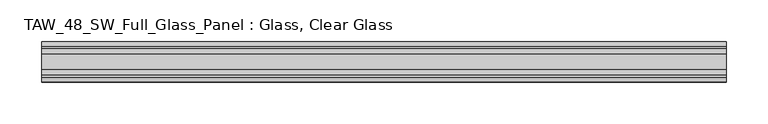
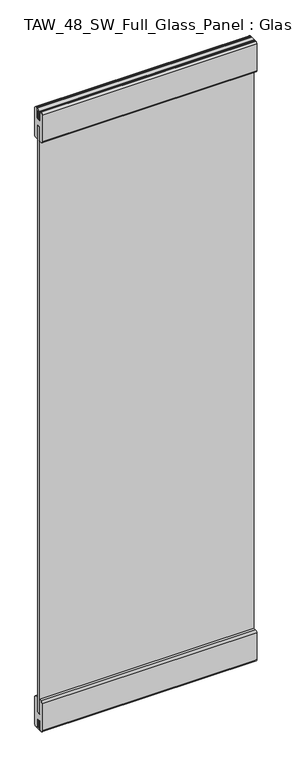
"""IFC4 building model written with IfcOpenShell, lengths in millimetres: plate geometry, TAW_48_SW_Full_Glass_Panel : Glass, Clear Glass."""

import ifcopenshell
import ifcopenshell.guid

model = None  # the IFC model being written
_history = None  # IfcOwnerHistory: only IFC2X3 demands one
_inside = {}  # id of a spatial element -> (the spatial element, [elements in it])
_under = {}  # id of a project, library or spatial element -> (it, [spatial elements below it])
_declared = {}  # id of a project -> (the project, [libraries it declares])
_typed = {}  # id of a type object -> (the type object, [elements of that type])
_made_of = {}  # id of a material, layer set ... -> (it, [elements and type objects made of it])


def new_model(schema):
    """Start an empty IFC model of exactly this schema.

    Asked for "IFC4X3", IfcOpenShell would pick the latest addendum, in which some entities
    have other attributes; the version numbers below select the first issue.
    IFC2X3 requires an IfcOwnerHistory on every rooted entity: one is made here for all.
    """
    global model, _history
    if schema == "IFC4X3":
        model = ifcopenshell.file(schema_version=(4, 3, 0, 0))
    else:
        model = ifcopenshell.file(schema=schema)
    _inside.clear()
    _under.clear()
    _declared.clear()
    _typed.clear()
    _made_of.clear()
    _history = None
    if model.schema == "IFC2X3":
        org = make("IfcOrganization", Name="unknown")
        user = make(
            "IfcPersonAndOrganization",
            ThePerson=make("IfcPerson", FamilyName="unknown"),
            TheOrganization=org,
        )
        app = make(
            "IfcApplication",
            ApplicationDeveloper=org,
            Version="unknown",
            ApplicationFullName="unknown",
            ApplicationIdentifier="unknown",
        )
        _history = make(
            "IfcOwnerHistory",
            OwningUser=user,
            OwningApplication=app,
            ChangeAction="ADDED",
            CreationDate=0,
        )
    return model


def make(cls, **values):
    """One entity of the class cls with the attributes given. An attribute that is None is left unset."""
    return model.create_entity(
        cls, **{name: value for name, value in values.items() if value is not None}
    )


def rooted(cls, **values):
    """An entity with a GlobalId (a new one), such as an element, a storey or a relation."""
    return make(cls, GlobalId=ifcopenshell.guid.new(), OwnerHistory=_history, **values)


def si_unit(unit_type, name, prefix=None):
    """IfcSIUnit, for example si_unit("LENGTHUNIT", "METRE", prefix="MILLI")."""
    return make("IfcSIUnit", UnitType=unit_type, Prefix=prefix, Name=name)


def assignment(units):
    """IfcUnitAssignment: the units of a project."""
    return None if units is None else make("IfcUnitAssignment", Units=units)


def point(xyz):
    """IfcCartesianPoint."""
    return None if xyz is None else make("IfcCartesianPoint", Coordinates=xyz)


def direction(xyz):
    """IfcDirection."""
    return None if xyz is None else make("IfcDirection", DirectionRatios=xyz)


def frame(location, z_axis=None, x_axis=None):
    """IfcAxis2Placement3D, a coordinate frame: its origin and axes. An axis left out is left unset."""
    return make(
        "IfcAxis2Placement3D",
        Location=point(location),
        Axis=direction(z_axis),
        RefDirection=direction(x_axis),
    )


def frame_2d(location, x_axis=None):
    """IfcAxis2Placement2D, a coordinate frame in the plane: its origin and x axis."""
    return make(
        "IfcAxis2Placement2D", Location=point(location), RefDirection=direction(x_axis)
    )


def origin():
    """The frame at (0, 0, 0) with its axes left unset."""
    return frame((0.0, 0.0, 0.0))


def place(relative_to, where):
    """IfcLocalPlacement: puts the frame where relative to a parent placement (None: the world)."""
    return make(
        "IfcLocalPlacement", PlacementRelTo=relative_to, RelativePlacement=where
    )


def context(
    kind, dimensions, precision=None, world=None, true_north=None, identifier=None
):
    """IfcGeometricRepresentationContext, for example the 3D "Model" context."""
    return make(
        "IfcGeometricRepresentationContext",
        ContextIdentifier=identifier,
        ContextType=kind,
        CoordinateSpaceDimension=dimensions,
        Precision=precision,
        WorldCoordinateSystem=world,
        TrueNorth=true_north,
    )


def project(units=None, contexts=None):
    """IfcProject with its units and contexts."""
    return rooted(
        "IfcProject",
        Name="project",
        RepresentationContexts=contexts,
        UnitsInContext=assignment(units),
    )


def spatial(cls, under=None, at=None, **own):
    """A site, building, storey or space (cls), placed at a placement, below another one or the project."""
    s = rooted(cls, ObjectPlacement=at, **own)
    if under is not None:
        _under.setdefault(under.id(), (under, []))[1].append(s)
    return s


def polyline(points):
    """IfcPolyline through the points."""
    return make("IfcPolyline", Points=[point(p) for p in points])


def circle_curve(where, radius):
    """IfcCircle in the frame where."""
    return make("IfcCircle", Position=where, Radius=radius)


def trimmed(basis, trim1, trim2, sense, master):
    """IfcTrimmedCurve: the piece of a basis curve between two trims."""
    return make(
        "IfcTrimmedCurve",
        BasisCurve=basis,
        Trim1=trim1,
        Trim2=trim2,
        SenseAgreement=sense,
        MasterRepresentation=master,
    )


def segment(curve, same_sense, transition):
    """IfcCompositeCurveSegment."""
    return make(
        "IfcCompositeCurveSegment",
        Transition=transition,
        SameSense=same_sense,
        ParentCurve=curve,
    )


def composite_curve(segments, self_intersect=None):
    """IfcCompositeCurve: segments joined end to end."""
    return make("IfcCompositeCurve", Segments=segments, SelfIntersect=self_intersect)


def outline(outer, holes=None, kind="AREA"):
    """IfcArbitraryClosedProfileDef: a profile drawn as a closed curve; with holes, ...WithVoids."""
    if holes is None:
        return make("IfcArbitraryClosedProfileDef", ProfileType=kind, OuterCurve=outer)
    return make(
        "IfcArbitraryProfileDefWithVoids",
        ProfileType=kind,
        OuterCurve=outer,
        InnerCurves=holes,
    )


def extrude(swept, where, along, depth):
    """IfcExtrudedAreaSolid: the profile swept, set in the frame where, extruded along a direction by depth."""
    return make(
        "IfcExtrudedAreaSolid",
        SweptArea=swept,
        Position=where,
        ExtrudedDirection=direction(along),
        Depth=depth,
    )


def shape(context_of_items, identifier, shape_type, items):
    """IfcShapeRepresentation: the items that make up one representation, for example the "Body"."""
    return make(
        "IfcShapeRepresentation",
        ContextOfItems=context_of_items,
        RepresentationIdentifier=identifier,
        RepresentationType=shape_type,
        Items=items,
    )


def source(mapping_origin, context_of_items, identifier, shape_type, items):
    """IfcRepresentationMap: a shape defined once, which mapped items show again and again."""
    return make(
        "IfcRepresentationMap",
        MappingOrigin=mapping_origin,
        MappedRepresentation=shape(context_of_items, identifier, shape_type, items),
    )


def transform(
    local_origin,
    x_axis=None,
    y_axis=None,
    z_axis=None,
    scale=None,
    scale2=None,
    scale3=None,
    uniform=True,
):
    """IfcCartesianTransformationOperator3D, or its non-uniform kind. x_axis, y_axis, z_axis: its Axis1, 2, 3."""
    if uniform:
        return make(
            "IfcCartesianTransformationOperator3D",
            Axis1=direction(x_axis),
            Axis2=direction(y_axis),
            LocalOrigin=point(local_origin),
            Scale=scale,
            Axis3=direction(z_axis),
        )
    return make(
        "IfcCartesianTransformationOperator3DnonUniform",
        Axis1=direction(x_axis),
        Axis2=direction(y_axis),
        LocalOrigin=point(local_origin),
        Scale=scale,
        Axis3=direction(z_axis),
        Scale2=scale2,
        Scale3=scale3,
    )


def mapped(mapping_source, mapping_target):
    """IfcMappedItem: shows the shape of a source again, moved by a transform."""
    return make(
        "IfcMappedItem", MappingSource=mapping_source, MappingTarget=mapping_target
    )


def made_of(thing, what):
    """Note that an element or type object is made of a material, layer set ...; save() writes the relation."""
    if what is not None:
        _made_of.setdefault(what.id(), (what, []))[1].append(thing)
    return thing


def element(
    cls,
    number,
    at=None,
    inside=None,
    cuts=None,
    type_object=None,
    material=None,
    context=None,
    identifier="Body",
    shape_type=None,
    held_by="IfcProductDefinitionShape",
    body=None,
    shapes=None,
    **own,
):
    """One element of the class cls, such as IfcWall. Its Tag is "e" and its number.

    at: its placement. inside: the storey or other place that contains it. cuts: it is an
    opening in that element (IfcRelVoidsElement). A single representation is given by context,
    identifier, shape_type and body (its items); several are given by shapes. held_by: the class
    of the entity that holds the representations. save() writes the other relations.
    """
    e = rooted(cls, Tag="e%d" % number, ObjectPlacement=at, **own)
    if body is not None:
        shapes = [shape(context, identifier, shape_type, body)]
    if shapes is not None:
        e.Representation = make(held_by, Representations=shapes)
    if inside is not None:
        _inside.setdefault(inside.id(), (inside, []))[1].append(e)
    if cuts is not None:
        rooted(
            "IfcRelVoidsElement", RelatingBuildingElement=cuts, RelatedOpeningElement=e
        )
    if type_object is not None:
        _typed.setdefault(type_object.id(), (type_object, []))[1].append(e)
    return made_of(e, material)


def aggregate(whole, parts):
    """IfcRelAggregates: a whole, such as a stair, and the parts it consists of."""
    return rooted("IfcRelAggregates", RelatingObject=whole, RelatedObjects=parts)


def save(model, path):
    """Write the relations noted so far, then the file.

    IfcRelAggregates (storeys below a building ...), IfcRelContainedInSpatialStructure (elements
    in a storey), IfcRelDefinesByType, IfcRelAssociatesMaterial and IfcRelDeclares: one each for
    every whole, place, type object, material and project.
    """
    for whole, parts in _under.values():
        aggregate(whole, parts)
    for where, things in _inside.values():
        rooted(
            "IfcRelContainedInSpatialStructure",
            RelatedElements=things,
            RelatingStructure=where,
        )
    for kind, things in _typed.values():
        rooted("IfcRelDefinesByType", RelatedObjects=things, RelatingType=kind)
    for what, things in _made_of.values():
        rooted("IfcRelAssociatesMaterial", RelatedObjects=things, RelatingMaterial=what)
    for by, libraries in _declared.values():
        rooted("IfcRelDeclares", RelatingContext=by, RelatedDefinitions=libraries)
    model.write(path)


def taw_48_sw_full_glass_panel_glass_clear_glass_6d55d110(model_context):
    return source(origin(), model_context, "Body", "SweptSolid", [
        extrude(outline(polyline([(410.0, 5.0), (410.0, -5.0), (-410.0, -5.0), (-410.0, 5.0), (410.0, 5.0)])), frame((0.0, 0.0, 65.5028724), z_axis=(0.0, 0.0, 1.0), x_axis=(1.0, 0.0, 0.0)), (0.0, 0.0, 1.0), 2369.1638255),
        extrude(outline(composite_curve([segment(polyline([(6.0, 123.0), (16.7, 123.0)]), True, "CONTINUOUS"), segment(trimmed(circle_curve(frame_2d((16.7, 115.7)), 7.3), [point((16.7, 123.0))], [point((24.0, 115.7))], False, "CARTESIAN"), True, "CONTINUOUS"), segment(polyline([(24.0, 115.7), (24.0, 7.2006944)]), True, "CONTINUOUS"), segment(trimmed(circle_curve(frame_2d((16.7, 7.2006944)), 7.3), [point((24.0, 7.2006944))], [point((17.9, 0.0))], False, "CARTESIAN"), True, "CONTINUOUS"), segment(polyline([(17.9, 0.0), (15.5529859, 0.0), (15.5529859, 2.1027745), (10.0, 2.1027745), (10.0, 38.0), (-10.0, 38.0), (-10.0, 2.1027745), (-15.0493747, 2.1027745), (-15.0493747, 0.0), (-18.4598098, 0.0)]), True, "CONTINUOUS"), segment(trimmed(circle_curve(frame_2d((-16.55, 7.2010504)), 7.45), [point((-18.4598098, 0.0))], [point((-24.0, 7.2010504))], False, "CARTESIAN"), True, "CONTINUOUS"), segment(polyline([(-24.0, 7.2010504), (-24.0, 115.55)]), True, "CONTINUOUS"), segment(trimmed(circle_curve(frame_2d((-16.55, 115.55)), 7.45), [point((-24.0, 115.55))], [point((-16.55, 123.0))], False, "CARTESIAN"), True, "CONTINUOUS"), segment(polyline([(-16.55, 123.0), (-6.0, 123.0), (-6.0, 121.4010504), (-9.5, 121.4010504), (-9.5, 65.5028724), (9.5, 65.5028724), (9.5, 121.2506944), (6.0, 121.2506944), (6.0, 123.0)]), True, "CONTINUOUS")], self_intersect=False)), frame((-410.0, 0.0, 0.0), z_axis=(1.0, 0.0, 0.0), x_axis=(0.0, 1.0, 0.0)), (0.0, 0.0, 1.0), 820.0),
        extrude(outline(polyline([(9.0, 2500.0), (9.0, 2461.2139286), (5.0, 2461.2139286), (5.0, 2496.0), (-5.0, 2496.0), (-5.0, 2461.2139286), (-9.0, 2461.2139286), (-9.0, 2500.0), (9.0, 2500.0)])), frame((-410.0, 0.0, 0.0), z_axis=(1.0, 0.0, 0.0), x_axis=(0.0, 1.0, 0.0)), (0.0, 0.0, 1.0), 820.0),
        extrude(outline(polyline([(-9.0, 0.0), (-9.0, 38.0), (-5.0, 38.0), (-5.0, 4.0), (5.0, 4.0), (5.0, 38.0), (9.0, 38.0), (9.0, 0.0), (-9.0, 0.0)])), frame((-410.0, 0.0, 0.0), z_axis=(1.0, 0.0, 0.0), x_axis=(0.0, 1.0, 0.0)), (0.0, 0.0, 1.0), 820.0),
        extrude(outline(composite_curve([segment(polyline([(-6.0, 2377.0), (-16.7, 2377.0)]), True, "CONTINUOUS"), segment(trimmed(circle_curve(frame_2d((-16.7, 2384.3)), 7.3), [point((-16.7, 2377.0))], [point((-24.0, 2384.3))], False, "CARTESIAN"), True, "CONTINUOUS"), segment(polyline([(-24.0, 2384.3), (-24.0, 2492.9688758)]), True, "CONTINUOUS"), segment(trimmed(circle_curve(frame_2d((-16.7, 2492.9688758)), 7.3), [point((-24.0, 2492.9688758))], [point((-18.6629804, 2500.0))], False, "CARTESIAN"), True, "CONTINUOUS"), segment(polyline([(-18.6629804, 2500.0), (-16.0197946, 2500.0), (-16.0197946, 2498.0667957), (-9.5, 2498.0667957), (-9.5, 2461.0667957), (9.5, 2461.0667957), (9.5, 2498.0667957), (16.0197946, 2498.0667957), (16.0197946, 2500.0), (18.6629804, 2500.0)]), True, "CONTINUOUS"), segment(trimmed(circle_curve(frame_2d((16.7, 2492.9688758)), 7.3), [point((18.6629804, 2500.0))], [point((24.0, 2492.9688758))], False, "CARTESIAN"), True, "CONTINUOUS"), segment(polyline([(24.0, 2492.9688758), (24.0, 2384.3)]), True, "CONTINUOUS"), segment(trimmed(circle_curve(frame_2d((16.7, 2384.3)), 7.3), [point((24.0, 2384.3))], [point((16.7, 2377.0))], False, "CARTESIAN"), True, "CONTINUOUS"), segment(polyline([(16.7, 2377.0), (6.0, 2377.0), (6.0, 2378.9188758), (9.5, 2378.9188758), (9.5, 2434.6666978), (-9.5, 2434.6666978), (-9.5, 2378.9188758), (-6.0, 2378.9188758), (-6.0, 2377.0)]), True, "CONTINUOUS")], self_intersect=False)), frame((-410.0, 0.0, 0.0), z_axis=(1.0, 0.0, 0.0), x_axis=(0.0, 1.0, 0.0)), (0.0, 0.0, 1.0), 820.0),
    ])


if __name__ == "__main__":
    model = new_model("IFC4")
    model_context = context("Model", 3, world=origin())
    ifc_project = project(units=[si_unit("LENGTHUNIT", "METRE", prefix="MILLI")], contexts=[model_context])
    site = spatial("IfcSite", under=ifc_project)
    building = spatial("IfcBuilding", under=site)
    placement = place(None, origin())
    taw_48_sw_full_glass_panel_glass_clear_glass_shape = taw_48_sw_full_glass_panel_glass_clear_glass_6d55d110(model_context)
    element("IfcPlate", 1, ObjectType="TAW_48_SW_Full_Glass_Panel : Glass, Clear Glass", at=placement, inside=building, context=model_context, shape_type="MappedRepresentation", body=[
        mapped(taw_48_sw_full_glass_panel_glass_clear_glass_shape, transform((0.0, 0.0, 0.0), x_axis=(1.0, 0.0, 0.0), y_axis=(0.0, 1.0, 0.0), z_axis=(0.0, 0.0, 1.0))),
    ])
    save(model, "model.ifc")
